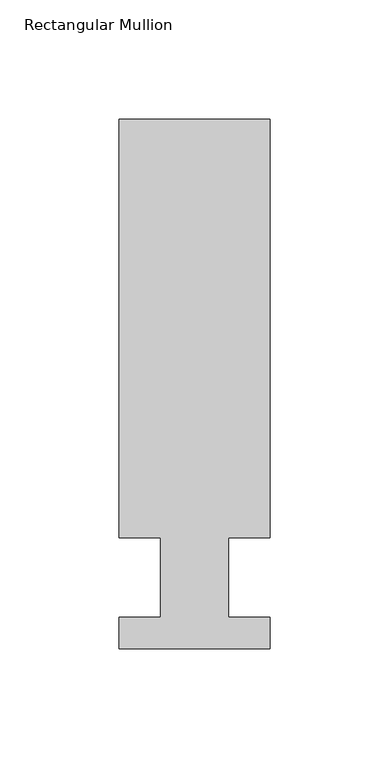
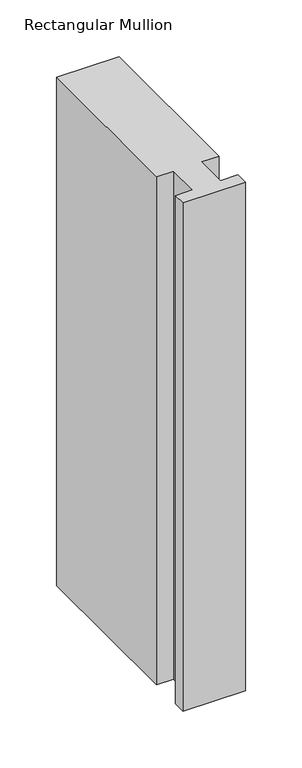
"""IFC4 building model written with IfcOpenShell, lengths in millimetres: member geometry, Rectangular Mullion."""

from ifc_helpers import new_model, si_unit, frame, origin, place, context, project, spatial, polyline, outline, extrude, source, transform, mapped, element, save


def rectangular_mullion_91b04b09(model_context):
    return source(origin(), model_context, "Body", "SweptSolid", [
        extrude(outline(polyline([(-63.4999995, 222.5381324), (1e-07, 222.5381321), (-6e-07, 46.7447321), (-17.4625007, 46.7447321), (-17.4625008, 13.3945321), (-3e-07, 13.3945321), (-4e-07, 0.2119321), (-63.5000004, 0.2119323), (-63.5000003, 13.3945323), (-46.0248008, 13.3945322), (-46.0248007, 46.7447322), (-63.5000002, 46.7447323), (-63.4999995, 222.5381324)])), frame((0.0, 0.0, -546.0999996), z_axis=(0.0, 0.0, 1.0), x_axis=(1.0, 0.0, 0.0)), (0.0, 0.0, 1.0), 546.0999996),
    ])


if __name__ == "__main__":
    model = new_model("IFC4")
    model_context = context("Model", 3, world=origin())
    ifc_project = project(units=[si_unit("LENGTHUNIT", "METRE", prefix="MILLI")], contexts=[model_context])
    site = spatial("IfcSite", under=ifc_project)
    building = spatial("IfcBuilding", under=site)
    placement = place(None, origin())
    rectangular_mullion_shape = rectangular_mullion_91b04b09(model_context)
    element("IfcMember", 1, ObjectType="Rectangular Mullion", at=placement, inside=building, context=model_context, shape_type="MappedRepresentation", body=[
        mapped(rectangular_mullion_shape, transform((0.0, 0.0, 0.0), x_axis=(1.0, 0.0, 0.0), y_axis=(0.0, 1.0, 0.0), z_axis=(0.0, 0.0, 1.0))),
    ])
    save(model, "model.ifc")
